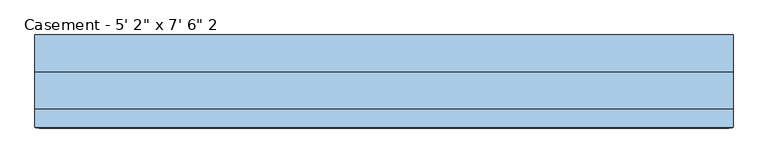
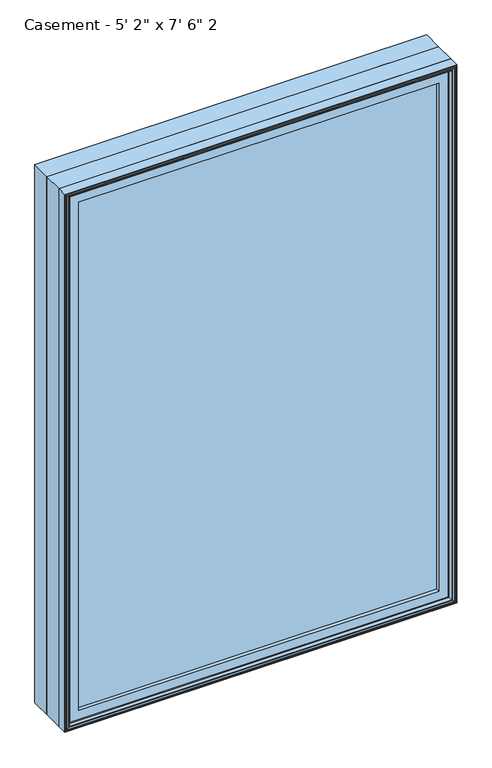
"""IFC4 building model written with IfcOpenShell, lengths in millimetres: window geometry."""

from ifc_helpers import new_model, si_unit, frame, origin, place, context, project, spatial, polyline, outline, extrude, faceted_brep, source, transform, mapped, element, save


def window_c4541c78(model_context):
    return source(origin(), model_context, "Body", "SolidModel", [
        extrude(outline(polyline([(735.409375, -74.0770729), (735.409375, -91.5395729), (-735.3849783, -91.5395729), (-735.3849783, -74.0770729), (735.409375, -74.0770729)])), frame((0.0, 0.0, 971.5119), z_axis=(0.0, 0.0, 1.0), x_axis=(1.0, 0.0, 0.0)), (0.0, 0.0, 1.0), 2171.7762),
        extrude(outline(polyline([(3200.4, -787.4), (914.4, -787.4), (914.4, 787.4), (3200.4, 787.4), (3200.4, -787.4)]), holes=[polyline([(930.275, -771.525), (3184.525, -771.525), (3184.525, 771.525), (930.275, 771.525), (930.275, -771.525)])]), frame((0.0, 6.1515625, 0.0), z_axis=(0.0, 1.0, 0.0), x_axis=(0.0, 0.0, 1.0)), (0.0, 0.0, 1.0), 82.7484375),
        faceted_brep([(-735.3849783, -74.0770729, 966.4150217), (-735.3849783, -74.0770729, 3148.3849783), (-735.3849783, -91.5395729, 3148.3849783), (-735.3849783, -91.5395729, 966.4150217), (-723.7015625, -72.8793953, 978.0984375), (-723.7015625, -72.8793953, 3136.7015625), (-723.7015625, -74.0770729, 3136.7015625), (-723.7015625, -74.0770729, 978.0984375), (-726.4498111, -59.9499024, 975.3501889), (-726.4498111, -59.9499024, 3139.4498111), (-754.4341084, -91.5395729, 947.3658916), (-754.4341084, -91.5395729, 3167.4341084), (-754.4341084, -59.9499024, 3167.4341084), (-754.4341084, -59.9499024, 947.3658916), (735.3849783, -74.0770729, 3148.3849783), (735.3849783, -91.5395729, 3148.3849783), (723.7015625, -72.8793953, 3136.7015625), (723.7015625, -74.0770729, 3136.7015625), (726.4498111, -59.9499024, 3139.4498111), (754.4341084, -91.5395729, 3167.4341084), (754.4341084, -59.9499024, 3167.4341084), (735.3849783, -74.0770729, 966.4150217), (735.3849783, -91.5395729, 966.4150217), (723.7015625, -72.8793953, 978.0984375), (723.7015625, -74.0770729, 978.0984375), (726.4498111, -59.9499024, 975.3501889), (754.4341084, -91.5395729, 947.3658916), (754.4341084, -59.9499024, 947.3658916)], [[[0, 1, 2, 3]], [[4, 5, 6, 7]], [[8, 9, 5, 4]], [[10, 11, 12, 13]], [[1, 14, 15, 2]], [[5, 16, 17, 6]], [[9, 18, 16, 5]], [[11, 19, 20, 12]], [[14, 21, 22, 15]], [[16, 23, 24, 17]], [[18, 25, 23, 16]], [[19, 26, 27, 20]], [[11, 10, 26, 19], [3, 2, 15, 22]], [[21, 0, 3, 22]], [[1, 0, 21, 14], [7, 6, 17, 24]], [[23, 4, 7, 24]], [[25, 8, 4, 23]], [[13, 12, 20, 27], [9, 8, 25, 18]], [[26, 10, 13, 27]]]),
        extrude(outline(polyline([(3173.5033048, -760.5033048), (941.2966952, -760.5033048), (941.2966952, 760.5033048), (3173.5033048, 760.5033048), (3173.5033048, -760.5033048)]), holes=[polyline([(978.0984375, -723.7015625), (3136.7015625, -723.7015625), (3136.7015625, 723.7015625), (978.0984375, 723.7015625), (978.0984375, -723.7015625)])]), frame((0.0, -106.9883505, 0.0), z_axis=(0.0, 1.0, 0.0), x_axis=(0.0, 0.0, 1.0)), (0.0, 0.0, 1.0), 15.4487776),
        faceted_brep([(-772.8220166, -119.2736375, 928.9779834), (-772.8220166, -119.2736375, 3185.8220166), (-778.155345, -120.8484375, 3191.155345), (-778.155345, -120.8484375, 923.644655), (-767.9526868, -104.4927591, 933.8473132), (-767.9526868, -104.4927591, 3180.9526868), (-767.9526868, -119.2736375, 3180.9526868), (-767.9526868, -119.2736375, 933.8473132), (-766.7244, -90.3195591, 935.0756), (-766.7244, -90.3195591, 3179.7244), (-766.7244, -79.171779, 935.0756), (-766.7244, -79.171779, 3179.7244), (-787.4, -119.6932773, 914.4), (-787.4, -119.6932773, 3200.4), (-787.4, -79.171779, 3200.4), (-787.4, -79.171779, 914.4), (-785.114, -111.1241649, 916.686), (-785.114, -111.1241649, 3198.114), (-785.114, -119.6932773, 3198.114), (-785.114, -119.6932773, 916.686), (-782.3962, -120.8484375, 919.4038), (-782.3962, -120.8484375, 3195.3962), (-782.3962, -111.1241649, 3195.3962), (-782.3962, -111.1241649, 919.4038), (772.8220166, -119.2736375, 3185.8220166), (778.155345, -120.8484375, 3191.155345), (767.9526868, -104.4927591, 3180.9526868), (767.9526868, -119.2736375, 3180.9526868), (766.7244, -90.3195591, 3179.7244), (766.7244, -79.171779, 3179.7244), (787.4, -119.6932773, 3200.4), (787.4, -79.171779, 3200.4), (785.114, -111.1241649, 3198.114), (785.114, -119.6932773, 3198.114), (782.3962, -120.8484375, 3195.3962), (782.3962, -111.1241649, 3195.3962), (772.8220166, -119.2736375, 928.9779834), (778.155345, -120.8484375, 923.644655), (767.9526868, -104.4927591, 933.8473132), (767.9526868, -119.2736375, 933.8473132), (766.7244, -90.3195591, 935.0756), (766.7244, -79.171779, 935.0756), (787.4, -119.6932773, 914.4), (787.4, -79.171779, 914.4), (785.114, -111.1241649, 916.686), (785.114, -119.6932773, 916.686), (782.3962, -120.8484375, 919.4038), (782.3962, -111.1241649, 919.4038)], [[[0, 1, 2, 3]], [[4, 5, 6, 7]], [[8, 9, 5, 4]], [[10, 11, 9, 8]], [[12, 13, 14, 15]], [[16, 17, 18, 19]], [[20, 21, 22, 23]], [[1, 24, 25, 2]], [[5, 26, 27, 6]], [[9, 28, 26, 5]], [[11, 29, 28, 9]], [[13, 30, 31, 14]], [[17, 32, 33, 18]], [[21, 34, 35, 22]], [[24, 36, 37, 25]], [[26, 38, 39, 27]], [[28, 40, 38, 26]], [[29, 41, 40, 28]], [[30, 42, 43, 31]], [[32, 44, 45, 33]], [[34, 46, 47, 35]], [[36, 0, 3, 37]], [[1, 0, 36, 24], [7, 6, 27, 39]], [[38, 4, 7, 39]], [[40, 8, 4, 38]], [[41, 10, 8, 40]], [[15, 14, 31, 43], [11, 10, 41, 29]], [[42, 12, 15, 43]], [[13, 12, 42, 30], [19, 18, 33, 45]], [[44, 16, 19, 45]], [[17, 16, 44, 32], [23, 22, 35, 47]], [[46, 20, 23, 47]], [[21, 20, 46, 34], [3, 2, 25, 37]]]),
        faceted_brep([(-787.4, -79.171779, 914.4), (-787.4, -79.171779, 3200.4), (-787.4, 6.1515625, 3200.4), (-787.4, 6.1515625, 914.4), (-767.7404, -66.7563278, 934.0596), (-767.7404, -66.7563278, 3180.7404), (-767.7404, -79.171779, 3180.7404), (-767.7404, -79.171779, 934.0596), (-761.2634, -59.7093984, 940.5366), (-761.2634, -59.7093984, 3174.2634), (-761.2634, -66.7563278, 3174.2634), (-761.2634, -66.7563278, 940.5366), (-739.775, -39.9279649, 962.025), (-739.775, -39.9279649, 3152.775), (-739.775, -59.7093984, 3152.775), (-739.775, -59.7093984, 962.025), (-743.7374, -10.9227338, 958.0626), (-743.7374, -10.9227338, 3156.7374), (-743.7374, -39.9279649, 3156.7374), (-743.7374, -39.9279649, 958.0626), (787.4, -79.171779, 3200.4), (787.4, 6.1515625, 3200.4), (767.7404, -66.7563278, 3180.7404), (767.7404, -79.171779, 3180.7404), (761.2634, -59.7093984, 3174.2634), (761.2634, -66.7563278, 3174.2634), (739.775, -39.9279649, 3152.775), (739.775, -59.7093984, 3152.775), (743.7374, -10.9227338, 3156.7374), (743.7374, -39.9279649, 3156.7374), (787.4, -79.171779, 914.4), (787.4, 6.1515625, 914.4), (767.7404, -66.7563278, 934.0596), (767.7404, -79.171779, 934.0596), (761.2634, -59.7093984, 940.5366), (761.2634, -66.7563278, 940.5366), (739.775, -39.9279649, 962.025), (739.775, -59.7093984, 962.025), (743.7374, -10.9227338, 958.0626), (743.7374, -39.9279649, 958.0626), (-765.1761112, 6.1515625, 3178.1761112), (-765.1761112, 6.1515625, 936.6238888), (765.1761112, 6.1515625, 936.6238888), (765.1761112, 6.1515625, 3178.1761112), (-765.1761112, -10.9227338, 936.6238888), (-765.1761112, -10.9227338, 3178.1761112), (765.1761112, -10.9227338, 3178.1761112), (765.1761112, -10.9227338, 936.6238888)], [[[0, 1, 2, 3]], [[4, 5, 6, 7]], [[8, 9, 10, 11]], [[12, 13, 14, 15]], [[16, 17, 18, 19]], [[1, 20, 21, 2]], [[5, 22, 23, 6]], [[9, 24, 25, 10]], [[13, 26, 27, 14]], [[17, 28, 29, 18]], [[20, 30, 31, 21]], [[22, 32, 33, 23]], [[24, 34, 35, 25]], [[26, 36, 37, 27]], [[28, 38, 39, 29]], [[3, 2, 21, 31], [40, 41, 42, 43]], [[30, 0, 3, 31]], [[1, 0, 30, 20], [7, 6, 23, 33]], [[32, 4, 7, 33]], [[5, 4, 32, 22], [11, 10, 25, 35]], [[34, 8, 11, 35]], [[9, 8, 34, 24], [15, 14, 27, 37]], [[36, 12, 15, 37]], [[19, 18, 29, 39], [13, 12, 36, 26]], [[38, 16, 19, 39]], [[44, 45, 46, 47], [17, 16, 38, 28]], [[41, 40, 45, 44]], [[40, 43, 46, 45]], [[43, 42, 47, 46]], [[42, 41, 44, 47]]]),
    ])


if __name__ == "__main__":
    model = new_model("IFC4")
    model_context = context("Model", 3, world=origin())
    ifc_project = project(units=[si_unit("LENGTHUNIT", "METRE", prefix="MILLI")], contexts=[model_context])
    site = spatial("IfcSite", under=ifc_project)
    building = spatial("IfcBuilding", under=site)
    placement = place(None, origin())
    window_shape = window_c4541c78(model_context)
    element("IfcWindow", 1, ObjectType="Casement - 5' 2\" x 7' 6\" 2", at=placement, inside=building, context=model_context, shape_type="MappedRepresentation", body=[
        mapped(window_shape, transform((0.0, 0.0, 0.0), x_axis=(1.0, 0.0, 0.0), y_axis=(0.0, 1.0, 0.0), z_axis=(0.0, 0.0, 1.0))),
    ])
    save(model, "model.ifc")
